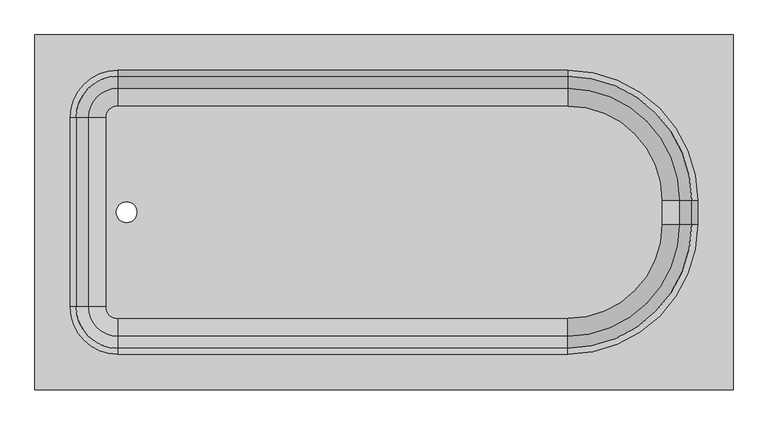
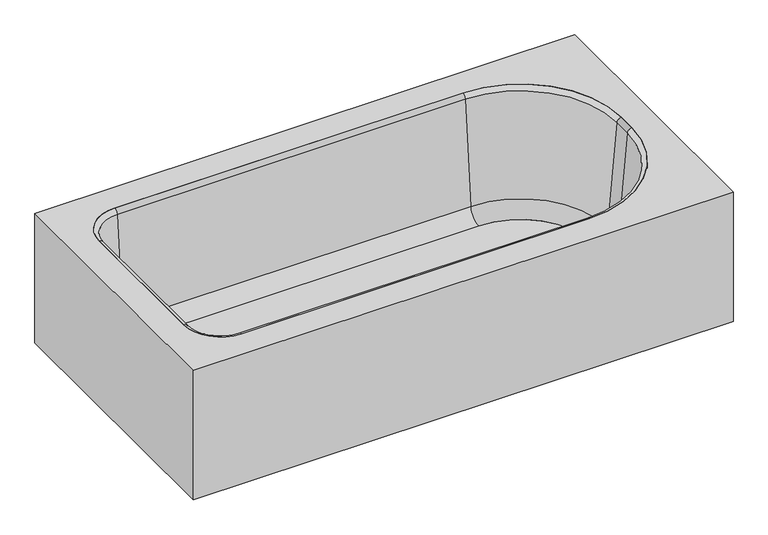
"""IFC4 building model written with IfcOpenShell, lengths in millimetres: flow terminal geometry."""

from ifc_helpers import new_model, si_unit, point, frame, frame_2d, origin, place, context, project, spatial, polyline, circle_curve, ellipse_curve, trimmed, segment, composite_curve, outline, extrude, source, transform, mapped, element, save
from ifc_brep_helpers import plane_surface, cylinder_surface, revolved_surface, advanced_brep


def flow_terminal_95b8fad0(model_context):
    return source(origin(), model_context, "Body", "SolidModel", [
        advanced_brep(
        [(389.3970313, -951.5, 380.0), (389.3970313, -189.5, 380.0), (-1110.6029687, -189.5, 380.0), (-1110.6029687, -951.5, 380.0), (-932.8029687, -875.3, 380.0), (-1034.4029687, -773.7, 380.0), (-1034.4029687, -367.3, 380.0), (-932.8029687, -265.7, 380.0), (33.7970313, -265.7, 380.0), (313.1970313, -545.1, 380.0), (313.1970313, -595.9, 380.0), (33.7970313, -875.3, 380.0), (370.3470313, -932.45, 360.95), (-1091.5529687, -932.45, 360.95), (-1091.5529687, -208.55, 360.95), (370.3470313, -208.55, 360.95), (-932.8029687, -875.3, 360.95), (33.7970313, -875.3, 360.95), (313.1970313, -595.9, 360.95), (313.1970313, -545.1, 360.95), (33.7970313, -265.7, 360.95), (-932.8029687, -265.7, 360.95), (-1034.4029687, -367.3, 360.95), (-1034.4029687, -773.7, 360.95), (-1110.6029687, -951.5, 0.0), (389.3970313, -951.5, 0.0), (-1110.6029687, -189.5, 0.0), (389.3970313, -189.5, 0.0), (370.3470313, -932.45, 0.0), (370.3470313, -208.55, 0.0), (-1091.5529687, -208.55, 0.0), (-1091.5529687, -932.45, 0.0)],
        [
            (0, 1),
            (1, 2),
            (2, 3),
            (3, 0),
            (4, 5, circle_curve(frame((-932.8029687, -773.7, 380.0), z_axis=(0.0, 0.0, -1.0), x_axis=(0.0, -1.0, 0.0)), 101.6)),
            (5, 6),
            (6, 7, circle_curve(frame((-932.8029687, -367.3, 380.0), z_axis=(0.0, 0.0, -1.0), x_axis=(0.0, -1.0, 0.0)), 101.6)),
            (7, 8),
            (8, 9, circle_curve(frame((33.7970313, -545.1, 380.0), z_axis=(0.0, 0.0, -1.0), x_axis=(0.0, -1.0, 0.0)), 279.4)),
            (9, 10),
            (10, 11, circle_curve(frame((33.7970313, -595.9, 380.0), z_axis=(0.0, 0.0, -1.0), x_axis=(0.0, -1.0, 0.0)), 279.4)),
            (11, 4),
            (12, 13),
            (13, 14),
            (14, 15),
            (15, 12),
            (16, 17),
            (17, 18, circle_curve(frame((33.7970313, -595.9, 360.95), z_axis=(0.0, 0.0, 1.0), x_axis=(0.0, -1.0, 0.0)), 279.4)),
            (18, 19),
            (19, 20, circle_curve(frame((33.7970313, -545.1, 360.95), z_axis=(0.0, 0.0, 1.0), x_axis=(0.0, -1.0, 0.0)), 279.4)),
            (20, 21),
            (21, 22, circle_curve(frame((-932.8029687, -367.3, 360.95), z_axis=(0.0, 0.0, 1.0), x_axis=(0.0, -1.0, 0.0)), 101.6)),
            (22, 23),
            (23, 16, circle_curve(frame((-932.8029687, -773.7, 360.95), z_axis=(0.0, 0.0, 1.0), x_axis=(0.0, -1.0, 0.0)), 101.6)),
            (3, 24),
            (24, 25),
            (25, 0),
            (2, 26),
            (26, 24),
            (1, 27),
            (27, 26),
            (25, 27),
            (11, 17),
            (16, 4),
            (10, 18),
            (9, 19),
            (8, 20),
            (7, 21),
            (6, 22),
            (5, 23),
            (28, 29),
            (29, 30),
            (30, 31),
            (31, 28),
            (28, 12),
            (15, 29),
            (14, 30),
            (13, 31),
        ],
        [
            plane_surface(frame((-1110.6029687, -951.5, 380.0), z_axis=(0.0, 0.0, 1.0), x_axis=(-1.0, 0.0, 0.0))),
            plane_surface(frame((-1110.6029687, -951.5, 360.95), z_axis=(0.0, 0.0, -1.0), x_axis=(1.0, 0.0, 0.0))),
            plane_surface(frame((389.3970313, -951.5, 380.0), z_axis=(0.0, -1.0, 0.0), x_axis=(0.0, 0.0, -1.0))),
            plane_surface(frame((-1110.6029687, -951.5, 380.0), z_axis=(-1.0, 0.0, 0.0), x_axis=(0.0, 0.0, -1.0))),
            plane_surface(frame((-1110.6029687, -189.5, 380.0), z_axis=(0.0, 1.0, 0.0), x_axis=(0.0, 0.0, -1.0))),
            plane_surface(frame((389.3970313, -189.5, 380.0), z_axis=(1.0, 0.0, 0.0), x_axis=(0.0, 0.0, -1.0))),
            plane_surface(frame((-932.8029687, -875.3, 380.0), z_axis=(0.0, 1.0, 0.0), x_axis=(0.0, 0.0, -1.0))),
            revolved_surface(polyline([(33.7970313, -875.3, 360.95), (33.7970313, -875.3, 380.0)]), (33.7970313, -595.9, 380.0), (0.0, 0.0, -1.0)),
            plane_surface(frame((313.1970313, -595.9, 380.0), z_axis=(-1.0, 0.0, 0.0), x_axis=(0.0, 0.0, -1.0))),
            revolved_surface(polyline([(33.7970313, -824.5, 360.95), (33.7970313, -824.5, 380.0)]), (33.7970313, -545.1, 380.0), (0.0, 0.0, -1.0)),
            plane_surface(frame((33.7970313, -265.7, 380.0), z_axis=(0.0, -1.0, 0.0), x_axis=(0.0, 0.0, -1.0))),
            revolved_surface(polyline([(-932.8029687, -468.9, 360.95), (-932.8029687, -468.9, 380.0)]), (-932.8029687, -367.3, 380.0), (0.0, 0.0, -1.0)),
            plane_surface(frame((-1034.4029687, -367.3, 380.0), z_axis=(1.0, 0.0, 0.0), x_axis=(0.0, 0.0, -1.0))),
            revolved_surface(polyline([(-932.8029687, -875.3000000000001, 360.95), (-932.8029687, -875.3000000000001, 380.0)]), (-932.8029687, -773.7, 380.0), (0.0, 0.0, -1.0)),
            plane_surface(frame((-1110.6029687, -951.5, 0.0), z_axis=(0.0, 0.0, -1.0), x_axis=(1.0, 0.0, 0.0))),
            plane_surface(frame((370.3470313, -932.45, 360.95), z_axis=(-1.0, 0.0, 0.0), x_axis=(0.0, 0.0, -1.0))),
            plane_surface(frame((370.3470313, -208.55, 360.95), z_axis=(0.0, -1.0, 0.0), x_axis=(0.0, 0.0, -1.0))),
            plane_surface(frame((-1091.5529687, -208.55, 360.95), z_axis=(1.0, 0.0, 0.0), x_axis=(0.0, 0.0, -1.0))),
            plane_surface(frame((-1091.5529687, -932.45, 360.95), z_axis=(0.0, 1.0, 0.0), x_axis=(0.0, 0.0, -1.0))),
        ],
        [
            (0, [[1, 2, 3, 4], [5, 6, 7, 8, 9, 10, 11, 12]]),
            (1, [[13, 14, 15, 16], [17, 18, 19, 20, 21, 22, 23, 24]]),
            (2, [[25, 26, 27, -4]]),
            (3, [[28, 29, -25, -3]]),
            (4, [[30, 31, -28, -2]]),
            (5, [[32, -30, -1, -27]]),
            (6, [[33, -17, 34, -12]]),
            (7, [[35, -18, -33, -11]]),
            (8, [[36, -19, -35, -10]]),
            (9, [[37, -20, -36, -9]]),
            (10, [[38, -21, -37, -8]]),
            (11, [[39, -22, -38, -7]]),
            (12, [[40, -23, -39, -6]]),
            (13, [[-34, -24, -40, -5]]),
            (14, [[-26, -29, -31, -32], [41, 42, 43, 44]]),
            (15, [[45, -16, 46, -41]]),
            (16, [[-46, -15, 47, -42]]),
            (17, [[-47, -14, 48, -43]]),
            (18, [[-48, -13, -45, -44]]),
        ],
    ),
        extrude(outline(composite_curve([segment(polyline([(33.7970313, -798.6964741), (-932.8029687, -798.6964741)]), True, "CONTINUOUS"), segment(trimmed(circle_curve(frame_2d((-932.8029687, -773.7)), 24.9964741), [point((-932.8029687, -798.6964741))], [point((-957.7994428, -773.7))], False, "CARTESIAN"), True, "CONTINUOUS"), segment(polyline([(-957.7994428, -773.7), (-957.7994428, -367.3)]), True, "CONTINUOUS"), segment(trimmed(circle_curve(frame_2d((-932.8029687, -367.3)), 24.9964741), [point((-957.7994428, -367.3))], [point((-932.8029687, -342.3035259))], False, "CARTESIAN"), True, "CONTINUOUS"), segment(polyline([(-932.8029687, -342.3035259), (33.7970313, -342.3035259)]), True, "CONTINUOUS"), segment(trimmed(circle_curve(frame_2d((33.7970313, -545.1)), 202.7964741), [point((33.7970313, -342.3035259))], [point((236.5935054, -545.1))], False, "CARTESIAN"), True, "CONTINUOUS"), segment(polyline([(236.5935054, -545.1), (236.5935054, -595.9)]), True, "CONTINUOUS"), segment(trimmed(circle_curve(frame_2d((33.7970313, -595.9)), 202.7964741), [point((236.5935054, -595.9))], [point((33.7970313, -798.6964741))], False, "CARTESIAN"), True, "CONTINUOUS")], self_intersect=False), holes=[composite_curve([segment(trimmed(circle_curve(frame_2d((-913.5971625, -570.5)), 22.225), [point((-913.5971625, -592.725))], [point((-913.5971625, -548.275))], True, "CARTESIAN"), True, "CONTINUOUS"), segment(trimmed(circle_curve(frame_2d((-913.5971625, -570.5)), 22.225), [point((-913.5971625, -548.275))], [point((-913.5971625, -592.725))], True, "CARTESIAN"), True, "CONTINUOUS")], self_intersect=False)]), frame((0.0, 0.0, 15.863573), z_axis=(0.0, 0.0, 1.0), x_axis=(1.0, 0.0, 0.0)), (0.0, 0.0, 1.0), 19.05),
        advanced_brep(
        [(-995.7544608, -773.7, 69.6929392), (-1021.9249722, -773.7, 368.8232535), (-932.8029687, -862.8220035, 368.8232535), (-932.8029687, -836.6514921, 69.6929392), (-957.7994428, -773.7, 34.913573), (-932.8029687, -798.6964741, 34.913573), (-957.7994428, -773.7, 15.863573), (-932.8029687, -798.6964741, 15.863573), (-1034.4029687, -773.7, 15.863573), (-932.8029687, -875.3, 15.863573), (-1034.4029687, -773.7, 380.0), (-932.8029687, -875.3, 380.0), (-995.7544608, -367.3, 69.6929392), (-1021.9249722, -367.3, 368.8232535), (-957.7994428, -367.3, 34.913573), (-957.7994428, -367.3, 15.863573), (-1034.4029687, -367.3, 15.863573), (-1034.4029687, -367.3, 380.0), (-932.8029687, -304.3485079, 69.6929392), (-932.8029687, -278.1779965, 368.8232535), (-932.8029687, -342.3035259, 34.913573), (-932.8029687, -342.3035259, 15.863573), (-932.8029687, -265.7, 15.863573), (-932.8029687, -265.7, 380.0), (33.7970313, -304.3485079, 69.6929392), (33.7970313, -278.1779965, 368.8232535), (33.7970313, -342.3035259, 34.913573), (33.7970313, -342.3035259, 15.863573), (33.7970313, -265.7, 15.863573), (33.7970313, -265.7, 380.0), (274.5485234, -545.1, 69.6929392), (300.7190348, -545.1, 368.8232535), (236.5935054, -545.1, 34.913573), (236.5935054, -545.1, 15.863573), (313.1970313, -545.1, 15.863573), (313.1970313, -545.1, 380.0), (274.5485234, -595.9, 69.6929392), (300.7190348, -595.9, 368.8232535), (236.5935054, -595.9, 34.913573), (236.5935054, -595.9, 15.863573), (313.1970313, -595.9, 15.863573), (313.1970313, -595.9, 380.0), (33.7970313, -836.6514921, 69.6929392), (33.7970313, -862.8220035, 368.8232535), (33.7970313, -798.6964741, 34.913573), (33.7970313, -798.6964741, 15.863573), (33.7970313, -875.3, 15.863573), (33.7970313, -875.3, 380.0)],
        [
            (0, 1),
            (1, 2, circle_curve(frame((-932.8029687, -773.7, 368.8232535), z_axis=(0.0, 0.0, 1.0), x_axis=(0.0, -1.0, 0.0)), 89.1220035)),
            (2, 3),
            (3, 0, circle_curve(frame((-932.8029687, -773.7, 69.6929392), z_axis=(0.0, 0.0, -1.0), x_axis=(0.0, -1.0, 0.0)), 62.9514921)),
            (4, 0, circle_curve(frame((-957.7994428, -773.7, 73.013573), z_axis=(0.0, 1.0, 0.0), x_axis=(1.0, 0.0, 0.0)), 38.1)),
            (3, 5, circle_curve(frame((-932.8029687, -798.6964741, 73.013573), z_axis=(1.0, 0.0, 0.0), x_axis=(0.0, 1.0, 0.0)), 38.1)),
            (5, 4, circle_curve(frame((-932.8029687, -773.7, 34.913573), z_axis=(0.0, 0.0, -1.0), x_axis=(0.0, -1.0, 0.0)), 24.9964741)),
            (6, 4),
            (5, 7),
            (7, 6, circle_curve(frame((-932.8029687, -773.7, 15.863573), z_axis=(0.0, 0.0, -1.0), x_axis=(0.0, -1.0, 0.0)), 24.9964741)),
            (8, 6),
            (7, 9),
            (9, 8, circle_curve(frame((-932.8029687, -773.7, 15.863573), z_axis=(0.0, 0.0, -1.0), x_axis=(0.0, -1.0, 0.0)), 101.6)),
            (10, 8),
            (9, 11),
            (11, 10, circle_curve(frame((-932.8029687, -773.7, 380.0), z_axis=(0.0, 0.0, -1.0), x_axis=(0.0, -1.0, 0.0)), 101.6)),
            (1, 10, circle_curve(frame((-1034.4029687, -773.7, 367.4462547), z_axis=(0.0, -1.0, 0.0), x_axis=(1.0, 0.0, 0.0)), 12.5537453)),
            (11, 2, circle_curve(frame((-932.8029687, -875.3, 367.4462547), z_axis=(-1.0, 0.0, 0.0), x_axis=(0.0, 1.0, 0.0)), 12.5537453)),
            (0, 12),
            (12, 13),
            (13, 1),
            (4, 14),
            (14, 12, circle_curve(frame((-957.7994428, -367.3, 73.013573), z_axis=(0.0, 1.0, 0.0), x_axis=(1.0, 0.0, 0.0)), 38.1)),
            (6, 15),
            (15, 14),
            (8, 16),
            (16, 15),
            (10, 17),
            (17, 16),
            (13, 17, circle_curve(frame((-1034.4029687, -367.3, 367.4462547), z_axis=(0.0, -1.0, 0.0), x_axis=(1.0, 0.0, 0.0)), 12.5537453)),
            (18, 19),
            (19, 13, circle_curve(frame((-932.8029687, -367.3, 368.8232535), z_axis=(0.0, 0.0, 1.0), x_axis=(-1.0, 0.0, 0.0)), 89.1220035)),
            (12, 18, circle_curve(frame((-932.8029687, -367.3, 69.6929392), z_axis=(0.0, 0.0, -1.0), x_axis=(-1.0, 0.0, 0.0)), 62.9514921)),
            (20, 18, circle_curve(frame((-932.8029687, -342.3035259, 73.013573), z_axis=(1.0, 0.0, 0.0), x_axis=(0.0, -1.0, 0.0)), 38.1)),
            (14, 20, circle_curve(frame((-932.8029687, -367.3, 34.913573), z_axis=(0.0, 0.0, -1.0), x_axis=(-1.0, 0.0, 0.0)), 24.9964741)),
            (21, 20),
            (15, 21, circle_curve(frame((-932.8029687, -367.3, 15.863573), z_axis=(0.0, 0.0, -1.0), x_axis=(-1.0, 0.0, 0.0)), 24.9964741)),
            (22, 21),
            (16, 22, circle_curve(frame((-932.8029687, -367.3, 15.863573), z_axis=(0.0, 0.0, -1.0), x_axis=(-1.0, 0.0, 0.0)), 101.6)),
            (23, 22),
            (17, 23, circle_curve(frame((-932.8029687, -367.3, 380.0), z_axis=(0.0, 0.0, -1.0), x_axis=(-1.0, 0.0, 0.0)), 101.6)),
            (19, 23, circle_curve(frame((-932.8029687, -265.7, 367.4462547), z_axis=(-1.0, 0.0, 0.0), x_axis=(0.0, -1.0, 0.0)), 12.5537453)),
            (18, 24),
            (24, 25),
            (25, 19),
            (20, 26),
            (26, 24, circle_curve(frame((33.7970313, -342.3035259, 73.013573), z_axis=(1.0, 0.0, 0.0), x_axis=(0.0, -1.0, 0.0)), 38.1)),
            (21, 27),
            (27, 26),
            (22, 28),
            (28, 27),
            (23, 29),
            (29, 28),
            (25, 29, circle_curve(frame((33.7970313, -265.7, 367.4462547), z_axis=(-1.0, 0.0, 0.0), x_axis=(0.0, -1.0, 0.0)), 12.5537453)),
            (30, 31),
            (31, 25, circle_curve(frame((33.7970313, -545.1, 368.8232535), z_axis=(0.0, 0.0, 1.0), x_axis=(0.0, 1.0, 0.0)), 266.9220035)),
            (24, 30, circle_curve(frame((33.7970313, -545.1, 69.6929392), z_axis=(0.0, 0.0, -1.0), x_axis=(0.0, 1.0, 0.0)), 240.7514921)),
            (32, 30, circle_curve(frame((236.5935054, -545.1, 73.013573), z_axis=(0.0, -1.0, 0.0), x_axis=(-1.0, 0.0, 0.0)), 38.1)),
            (26, 32, circle_curve(frame((33.7970313, -545.1, 34.913573), z_axis=(0.0, 0.0, -1.0), x_axis=(0.0, 1.0, 0.0)), 202.7964741)),
            (33, 32),
            (27, 33, circle_curve(frame((33.7970313, -545.1, 15.863573), z_axis=(0.0, 0.0, -1.0), x_axis=(0.0, 1.0, 0.0)), 202.7964741)),
            (34, 33),
            (28, 34, circle_curve(frame((33.7970313, -545.1, 15.863573), z_axis=(0.0, 0.0, -1.0), x_axis=(0.0, 1.0, 0.0)), 279.4)),
            (35, 34),
            (29, 35, circle_curve(frame((33.7970313, -545.1, 380.0), z_axis=(0.0, 0.0, -1.0), x_axis=(0.0, 1.0, 0.0)), 279.4)),
            (31, 35, circle_curve(frame((313.1970313, -545.1, 367.4462547), z_axis=(0.0, 1.0, 0.0), x_axis=(-1.0, 0.0, 0.0)), 12.5537453)),
            (30, 36),
            (36, 37),
            (37, 31),
            (32, 38),
            (38, 36, circle_curve(frame((236.5935054, -595.9, 73.013573), z_axis=(0.0, -1.0, 0.0), x_axis=(-1.0, 0.0, 0.0)), 38.1)),
            (33, 39),
            (39, 38),
            (34, 40),
            (40, 39),
            (35, 41),
            (41, 40),
            (37, 41, circle_curve(frame((313.1970313, -595.9, 367.4462547), z_axis=(0.0, 1.0, 0.0), x_axis=(-1.0, 0.0, 0.0)), 12.5537453)),
            (42, 43),
            (43, 37, circle_curve(frame((33.7970313, -595.9, 368.8232535), z_axis=(0.0, 0.0, 1.0), x_axis=(1.0, 0.0, 0.0)), 266.9220035)),
            (36, 42, circle_curve(frame((33.7970313, -595.9, 69.6929392), z_axis=(0.0, 0.0, -1.0), x_axis=(1.0, 0.0, 0.0)), 240.7514921)),
            (44, 42, circle_curve(frame((33.7970313, -798.6964741, 73.013573), z_axis=(-1.0, 0.0, 0.0), x_axis=(0.0, 1.0, 0.0)), 38.1)),
            (38, 44, circle_curve(frame((33.7970313, -595.9, 34.913573), z_axis=(0.0, 0.0, -1.0), x_axis=(1.0, 0.0, 0.0)), 202.7964741)),
            (45, 44),
            (39, 45, circle_curve(frame((33.7970313, -595.9, 15.863573), z_axis=(0.0, 0.0, -1.0), x_axis=(1.0, 0.0, 0.0)), 202.7964741)),
            (46, 45),
            (40, 46, circle_curve(frame((33.7970313, -595.9, 15.863573), z_axis=(0.0, 0.0, -1.0), x_axis=(1.0, 0.0, 0.0)), 279.4)),
            (47, 46),
            (41, 47, circle_curve(frame((33.7970313, -595.9, 380.0), z_axis=(0.0, 0.0, -1.0), x_axis=(1.0, 0.0, 0.0)), 279.4)),
            (43, 47, circle_curve(frame((33.7970313, -875.3, 367.4462547), z_axis=(1.0, 0.0, 0.0), x_axis=(0.0, 1.0, 0.0)), 12.5537453)),
            (42, 3),
            (2, 43),
            (44, 5),
            (45, 7),
            (46, 9),
            (47, 11),
        ],
        [
            revolved_surface(polyline([(-932.8029687, -862.8220035, 368.8232535), (-932.8029687, -836.6514921, 69.6929392)]), (-932.8029687, -773.7, 380.0), (0.0, 0.0, 1.0)),
            revolved_surface(trimmed(ellipse_curve(frame((-932.8029687, -798.6964741, 73.013573), z_axis=(1.0, 0.0, 0.0), x_axis=(0.0, 1.0, 0.0)), 38.1, 38.1), [point((-932.8029687, -836.6514921, 69.6929392))], [point((-932.8029687, -798.6964741, 34.913573))], True, "CARTESIAN"), (-932.8029687, -773.7, 380.0), (0.0, 0.0, 1.0)),
            revolved_surface(polyline([(-932.8029687, -798.6964741, 34.913572999999985), (-932.8029687, -798.6964741, 15.863572999999974)]), (-932.8029687, -773.7, 380.0), (0.0, 0.0, 1.0)),
            plane_surface(frame((-932.8029687, -773.7, 15.863573), z_axis=(0.0, 0.0, -1.0), x_axis=(0.0, -1.0, 0.0))),
            cylinder_surface(frame((-932.8029687, -773.7, 380.0), z_axis=(0.0, 0.0, 1.0), x_axis=(0.0, -1.0, 0.0)), 101.6),
            revolved_surface(trimmed(ellipse_curve(frame((-932.8029687, -875.3, 367.4462547), z_axis=(-1.0, 0.0, 0.0), x_axis=(0.0, 1.0, 0.0)), 12.5537453, 12.5537453), [point((-932.8029687, -875.3, 380.0))], [point((-932.8029687, -862.8220035, 368.8232535))], True, "CARTESIAN"), (-932.8029687, -773.7, 380.0), (0.0, 0.0, 1.0)),
            plane_surface(frame((-1021.9249722, -773.7, 368.8232535), z_axis=(0.9961946980917458, 0.0, 0.08715574274765597), x_axis=(0.0, 1.0, 0.0))),
            revolved_surface(polyline([(-919.6994427999999, -367.3, 73.013573), (-919.6994427999999, -773.7, 73.013573)]), (-957.7994428, -773.7, 73.013573), (0.0, 1.0, 0.0)),
            plane_surface(frame((-957.7994428, -773.7, 34.913573), z_axis=(1.0, 0.0, 0.0), x_axis=(0.0, 1.0, 0.0))),
            plane_surface(frame((-957.7994428, -773.7, 15.863573), z_axis=(0.0, 0.0, -1.0), x_axis=(0.0, 1.0, 0.0))),
            plane_surface(frame((-1034.4029687, -773.7, 15.863573), z_axis=(-1.0, 0.0, 0.0), x_axis=(0.0, 1.0, 0.0))),
            cylinder_surface(frame((-1034.4029687, -773.7, 367.4462547), z_axis=(0.0, -1.0, 0.0), x_axis=(1.0, 0.0, 0.0)), 12.5537453),
            revolved_surface(polyline([(-1021.9249722, -367.3, 368.8232535), (-995.7544608, -367.3, 69.6929392)]), (-932.8029687, -367.3, 380.0), (0.0, 0.0, 1.0)),
            revolved_surface(trimmed(ellipse_curve(frame((-957.7994428, -367.3, 73.013573), z_axis=(0.0, -1.0, 0.0), x_axis=(1.0, 0.0, 0.0)), 38.1, 38.1), [point((-995.7544608, -367.3, 69.6929392))], [point((-957.7994428, -367.3, 34.913573))], True, "CARTESIAN"), (-932.8029687, -367.3, 380.0), (0.0, 0.0, 1.0)),
            revolved_surface(polyline([(-957.7994428, -367.3, 34.913572999999985), (-957.7994428, -367.3, 15.863572999999974)]), (-932.8029687, -367.3, 380.0), (0.0, 0.0, 1.0)),
            plane_surface(frame((-932.8029687, -367.3, 15.863573), z_axis=(0.0, 0.0, -1.0), x_axis=(-1.0, 0.0, 0.0))),
            cylinder_surface(frame((-932.8029687, -367.3, 380.0), z_axis=(0.0, 0.0, 1.0), x_axis=(-1.0, 0.0, 0.0)), 101.6),
            revolved_surface(trimmed(ellipse_curve(frame((-1034.4029687, -367.3, 367.4462547), z_axis=(0.0, 1.0, 0.0), x_axis=(1.0, 0.0, 0.0)), 12.5537453, 12.5537453), [point((-1034.4029687, -367.3, 380.0))], [point((-1021.9249722, -367.3, 368.8232535))], True, "CARTESIAN"), (-932.8029687, -367.3, 380.0), (0.0, 0.0, 1.0)),
            plane_surface(frame((-932.8029687, -278.1779965, 368.8232535), z_axis=(0.0, -0.9961946980917461, 0.08715574274765274), x_axis=(1.0, 0.0, 0.0))),
            revolved_surface(polyline([(33.79703129999996, -380.40352590000003, 73.013573), (-932.8029687, -380.40352590000003, 73.013573)]), (-932.8029687, -342.3035259, 73.013573), (1.0, 0.0, 0.0)),
            plane_surface(frame((-932.8029687, -342.3035259, 34.913573), z_axis=(0.0, -1.0, 0.0), x_axis=(1.0, 0.0, 0.0))),
            plane_surface(frame((-932.8029687, -342.3035259, 15.863573), z_axis=(0.0, 0.0, -1.0), x_axis=(1.0, 0.0, 0.0))),
            plane_surface(frame((-932.8029687, -265.7, 15.863573), z_axis=(0.0, 1.0, 0.0), x_axis=(1.0, 0.0, 0.0))),
            cylinder_surface(frame((-932.8029687, -265.7, 367.4462547), z_axis=(-1.0, 0.0, 0.0), x_axis=(0.0, -1.0, 0.0)), 12.5537453),
            revolved_surface(polyline([(33.7970313, -278.1779965, 368.8232535), (33.7970313, -304.3485079, 69.6929392)]), (33.7970313, -545.1, 380.0), (0.0, 0.0, 1.0)),
            revolved_surface(trimmed(ellipse_curve(frame((33.7970313, -342.3035259, 73.013573), z_axis=(-1.0, 0.0, 0.0), x_axis=(0.0, -1.0, 0.0)), 38.1, 38.1), [point((33.7970313, -304.3485079, 69.6929392))], [point((33.7970313, -342.3035259, 34.913573))], True, "CARTESIAN"), (33.7970313, -545.1, 380.0), (0.0, 0.0, 1.0)),
            revolved_surface(polyline([(33.7970313, -342.3035259, 34.913572999999985), (33.7970313, -342.3035259, 15.863572999999974)]), (33.7970313, -545.1, 380.0), (0.0, 0.0, 1.0)),
            plane_surface(frame((33.7970313, -545.1, 15.863573), z_axis=(0.0, 0.0, -1.0), x_axis=(0.0, 1.0, 0.0))),
            cylinder_surface(frame((33.7970313, -545.1, 380.0), z_axis=(0.0, 0.0, 1.0), x_axis=(0.0, 1.0, 0.0)), 279.4),
            revolved_surface(trimmed(ellipse_curve(frame((33.7970313, -265.7, 367.4462547), z_axis=(1.0, 0.0, 0.0), x_axis=(0.0, -1.0, 0.0)), 12.5537453, 12.5537453), [point((33.7970313, -265.7, 380.0))], [point((33.7970313, -278.1779965, 368.8232535))], True, "CARTESIAN"), (33.7970313, -545.1, 380.0), (0.0, 0.0, 1.0)),
            plane_surface(frame((300.7190348, -545.1, 368.8232535), z_axis=(-0.9961946980917464, 0.0, 0.0871557427476495), x_axis=(0.0, -1.0, 0.0))),
            revolved_surface(polyline([(198.4935054, -595.9, 73.013573), (198.4935054, -545.1, 73.013573)]), (236.5935054, -545.1, 73.013573), (0.0, -1.0, 0.0)),
            plane_surface(frame((236.5935054, -545.1, 34.913573), z_axis=(-1.0, 0.0, 0.0), x_axis=(0.0, -1.0, 0.0))),
            plane_surface(frame((236.5935054, -545.1, 15.863573), z_axis=(0.0, 0.0, -1.0), x_axis=(0.0, -1.0, 0.0))),
            plane_surface(frame((313.1970313, -545.1, 15.863573), z_axis=(1.0, 0.0, 0.0), x_axis=(0.0, -1.0, 0.0))),
            cylinder_surface(frame((313.1970313, -545.1, 367.4462547), z_axis=(0.0, 1.0, 0.0), x_axis=(-1.0, 0.0, 0.0)), 12.5537453),
            revolved_surface(polyline([(300.7190348, -595.9, 368.8232535), (274.5485234, -595.9, 69.6929392)]), (33.7970313, -595.9, 380.0), (0.0, 0.0, 1.0)),
            revolved_surface(trimmed(ellipse_curve(frame((236.5935054, -595.9, 73.013573), z_axis=(0.0, 1.0, 0.0), x_axis=(-1.0, 0.0, 0.0)), 38.1, 38.1), [point((274.5485234, -595.9, 69.6929392))], [point((236.5935054, -595.9, 34.913573))], True, "CARTESIAN"), (33.7970313, -595.9, 380.0), (0.0, 0.0, 1.0)),
            revolved_surface(polyline([(236.59350540000003, -595.9, 34.913572999999985), (236.59350540000003, -595.9, 15.863572999999974)]), (33.7970313, -595.9, 380.0), (0.0, 0.0, 1.0)),
            plane_surface(frame((33.7970313, -595.9, 15.863573), z_axis=(0.0, 0.0, -1.0), x_axis=(1.0, 0.0, 0.0))),
            cylinder_surface(frame((33.7970313, -595.9, 380.0), z_axis=(0.0, 0.0, 1.0), x_axis=(1.0, 0.0, 0.0)), 279.4),
            revolved_surface(trimmed(ellipse_curve(frame((313.1970313, -595.9, 367.4462547), z_axis=(0.0, -1.0, 0.0), x_axis=(-1.0, 0.0, 0.0)), 12.5537453, 12.5537453), [point((313.1970313, -595.9, 380.0))], [point((300.7190348, -595.9, 368.8232535))], True, "CARTESIAN"), (33.7970313, -595.9, 380.0), (0.0, 0.0, 1.0)),
            plane_surface(frame((33.7970313, -862.8220035, 368.8232535), z_axis=(0.0, 0.9961946980917461, 0.08715574274765274), x_axis=(-1.0, 0.0, 0.0))),
            revolved_surface(polyline([(-932.8029687, -760.5964741, 73.013573), (33.7970313, -760.5964741, 73.013573)]), (33.7970313, -798.6964741, 73.013573), (-1.0, 0.0, 0.0)),
            plane_surface(frame((33.7970313, -798.6964741, 34.913573), z_axis=(0.0, 1.0, 0.0), x_axis=(-1.0, 0.0, 0.0))),
            plane_surface(frame((33.7970313, -798.6964741, 15.863573), z_axis=(0.0, 0.0, -1.0), x_axis=(-1.0, 0.0, 0.0))),
            plane_surface(frame((33.7970313, -875.3, 15.863573), z_axis=(0.0, -1.0, 0.0), x_axis=(-1.0, 0.0, 0.0))),
            cylinder_surface(frame((33.7970313, -875.3, 367.4462547), z_axis=(1.0, 0.0, 0.0), x_axis=(0.0, 1.0, 0.0)), 12.5537453),
        ],
        [
            (0, [[1, 2, 3, 4]]),
            (1, [[5, -4, 6, 7]]),
            (2, [[8, -7, 9, 10]]),
            (3, [[11, -10, 12, 13]]),
            (4, [[14, -13, 15, 16]]),
            (5, [[17, -16, 18, -2]]),
            (6, [[19, 20, 21, -1]]),
            (7, [[22, 23, -19, -5]]),
            (8, [[24, 25, -22, -8]]),
            (9, [[26, 27, -24, -11]]),
            (10, [[28, 29, -26, -14]]),
            (11, [[-21, 30, -28, -17]]),
            (12, [[31, 32, -20, 33]]),
            (13, [[34, -33, -23, 35]]),
            (14, [[36, -35, -25, 37]]),
            (15, [[38, -37, -27, 39]]),
            (16, [[40, -39, -29, 41]]),
            (17, [[42, -41, -30, -32]]),
            (18, [[43, 44, 45, -31]]),
            (19, [[46, 47, -43, -34]]),
            (20, [[48, 49, -46, -36]]),
            (21, [[50, 51, -48, -38]]),
            (22, [[52, 53, -50, -40]]),
            (23, [[-45, 54, -52, -42]]),
            (24, [[55, 56, -44, 57]]),
            (25, [[58, -57, -47, 59]]),
            (26, [[60, -59, -49, 61]]),
            (27, [[62, -61, -51, 63]]),
            (28, [[64, -63, -53, 65]]),
            (29, [[66, -65, -54, -56]]),
            (30, [[67, 68, 69, -55]]),
            (31, [[70, 71, -67, -58]]),
            (32, [[72, 73, -70, -60]]),
            (33, [[74, 75, -72, -62]]),
            (34, [[76, 77, -74, -64]]),
            (35, [[-69, 78, -76, -66]]),
            (36, [[79, 80, -68, 81]]),
            (37, [[82, -81, -71, 83]]),
            (38, [[84, -83, -73, 85]]),
            (39, [[86, -85, -75, 87]]),
            (40, [[88, -87, -77, 89]]),
            (41, [[90, -89, -78, -80]]),
            (42, [[91, -3, 92, -79]]),
            (43, [[93, -6, -91, -82]]),
            (44, [[94, -9, -93, -84]]),
            (45, [[95, -12, -94, -86]]),
            (46, [[96, -15, -95, -88]]),
            (47, [[-92, -18, -96, -90]]),
        ],
    ),
    ])


if __name__ == "__main__":
    model = new_model("IFC4")
    model_context = context("Model", 3, world=origin())
    ifc_project = project(units=[si_unit("LENGTHUNIT", "METRE", prefix="MILLI")], contexts=[model_context])
    site = spatial("IfcSite", under=ifc_project)
    building = spatial("IfcBuilding", under=site)
    placement = place(None, origin())
    flow_terminal_shape = flow_terminal_95b8fad0(model_context)
    element("IfcFlowTerminal", 1, at=placement, inside=building, context=model_context, shape_type="MappedRepresentation", body=[
        mapped(flow_terminal_shape, transform((0.0, 0.0, 0.0), x_axis=(1.0, 0.0, 0.0), y_axis=(0.0, 1.0, 0.0), z_axis=(0.0, 0.0, 1.0))),
    ])
    save(model, "model.ifc")
